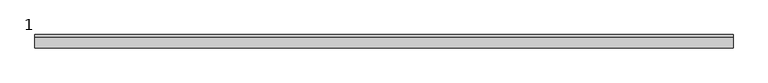
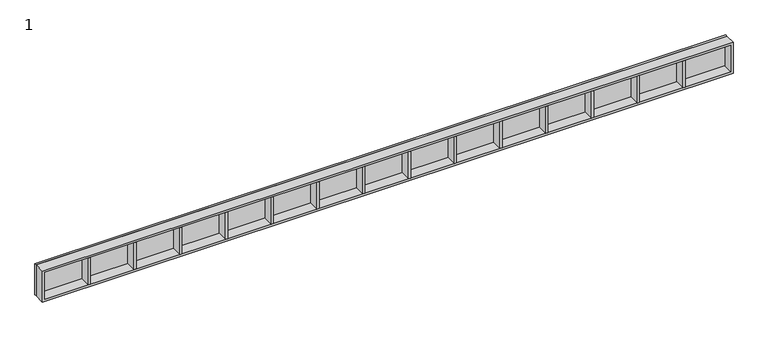
"""IFC4 building model written with IfcOpenShell, lengths in millimetres: proxy geometry, 1."""

from ifc_helpers import new_model, si_unit, frame, origin, place, context, project, spatial, polyline, outline, extrude, source, transform, mapped, element, save


def proxy_1_391dcd1e(model_context):
    return source(origin(), model_context, "Body", "SweptSolid", [
        extrude(outline(polyline([(2950.0, -60.0), (2940.0, -60.0), (2940.0, -10.0), (2950.0, -10.0), (2950.0, -60.0)])), frame((0.0, 0.0, 470.0), z_axis=(0.0, 0.0, 1.0), x_axis=(1.0, 0.0, 0.0)), (0.0, 0.0, 1.0), 130.0),
        extrude(outline(polyline([(2740.0, -60.0), (2730.0, -60.0), (2730.0, -10.0), (2740.0, -10.0), (2740.0, -60.0)])), frame((0.0, 0.0, 470.0), z_axis=(0.0, 0.0, 1.0), x_axis=(1.0, 0.0, 0.0)), (0.0, 0.0, 1.0), 130.0),
        extrude(outline(polyline([(2530.0, -60.0), (2520.0, -60.0), (2520.0, -10.0), (2530.0, -10.0), (2530.0, -60.0)])), frame((0.0, 0.0, 470.0), z_axis=(0.0, 0.0, 1.0), x_axis=(1.0, 0.0, 0.0)), (0.0, 0.0, 1.0), 130.0),
        extrude(outline(polyline([(2320.0, -60.0), (2310.0, -60.0), (2310.0, -10.0), (2320.0, -10.0), (2320.0, -60.0)])), frame((0.0, 0.0, 470.0), z_axis=(0.0, 0.0, 1.0), x_axis=(1.0, 0.0, 0.0)), (0.0, 0.0, 1.0), 130.0),
        extrude(outline(polyline([(2110.0, -60.0), (2100.0, -60.0), (2100.0, -10.0), (2110.0, -10.0), (2110.0, -60.0)])), frame((0.0, 0.0, 470.0), z_axis=(0.0, 0.0, 1.0), x_axis=(1.0, 0.0, 0.0)), (0.0, 0.0, 1.0), 130.0),
        extrude(outline(polyline([(1900.0, -60.0), (1890.0, -60.0), (1890.0, -10.0), (1900.0, -10.0), (1900.0, -60.0)])), frame((0.0, 0.0, 470.0), z_axis=(0.0, 0.0, 1.0), x_axis=(1.0, 0.0, 0.0)), (0.0, 0.0, 1.0), 130.0),
        extrude(outline(polyline([(1690.0, -60.0), (1680.0, -60.0), (1680.0, -10.0), (1690.0, -10.0), (1690.0, -60.0)])), frame((0.0, 0.0, 470.0), z_axis=(0.0, 0.0, 1.0), x_axis=(1.0, 0.0, 0.0)), (0.0, 0.0, 1.0), 130.0),
        extrude(outline(polyline([(1480.0, -60.0), (1470.0, -60.0), (1470.0, -10.0), (1480.0, -10.0), (1480.0, -60.0)])), frame((0.0, 0.0, 470.0), z_axis=(0.0, 0.0, 1.0), x_axis=(1.0, 0.0, 0.0)), (0.0, 0.0, 1.0), 130.0),
        extrude(outline(polyline([(3170.0, -10.0), (0.0, -10.0), (0.0, 0.0), (3170.0, 0.0), (3170.0, -10.0)])), frame((0.0, 0.0, 460.0), z_axis=(0.0, 0.0, 1.0), x_axis=(1.0, 0.0, 0.0)), (0.0, 0.0, 1.0), 150.0),
        extrude(outline(polyline([(1270.0, -60.0), (1260.0, -60.0), (1260.0, -10.0), (1270.0, -10.0), (1270.0, -60.0)])), frame((0.0, 0.0, 470.0), z_axis=(0.0, 0.0, 1.0), x_axis=(1.0, 0.0, 0.0)), (0.0, 0.0, 1.0), 130.0),
        extrude(outline(polyline([(1060.0, -60.0), (1050.0, -60.0), (1050.0, -10.0), (1060.0, -10.0), (1060.0, -60.0)])), frame((0.0, 0.0, 470.0), z_axis=(0.0, 0.0, 1.0), x_axis=(1.0, 0.0, 0.0)), (0.0, 0.0, 1.0), 130.0),
        extrude(outline(polyline([(850.0, -60.0), (840.0, -60.0), (840.0, -10.0), (850.0, -10.0), (850.0, -60.0)])), frame((0.0, 0.0, 470.0), z_axis=(0.0, 0.0, 1.0), x_axis=(1.0, 0.0, 0.0)), (0.0, 0.0, 1.0), 130.0),
        extrude(outline(polyline([(640.0, -60.0), (630.0, -60.0), (630.0, -10.0), (640.0, -10.0), (640.0, -60.0)])), frame((0.0, 0.0, 470.0), z_axis=(0.0, 0.0, 1.0), x_axis=(1.0, 0.0, 0.0)), (0.0, 0.0, 1.0), 130.0),
        extrude(outline(polyline([(430.0, -60.0), (420.0, -60.0), (420.0, -10.0), (430.0, -10.0), (430.0, -60.0)])), frame((0.0, 0.0, 470.0), z_axis=(0.0, 0.0, 1.0), x_axis=(1.0, 0.0, 0.0)), (0.0, 0.0, 1.0), 130.0),
        extrude(outline(polyline([(220.0, -60.0), (210.0, -60.0), (210.0, -10.0), (220.0, -10.0), (220.0, -60.0)])), frame((0.0, 0.0, 470.0), z_axis=(0.0, 0.0, 1.0), x_axis=(1.0, 0.0, 0.0)), (0.0, 0.0, 1.0), 130.0),
        extrude(outline(polyline([(610.0, 3170.0), (610.0, 0.0), (460.0, 0.0), (460.0, 3170.0), (610.0, 3170.0)]), holes=[polyline([(600.0, 3160.378195), (470.0, 3160.378195), (470.0, 10.0), (600.0, 10.0), (600.0, 3160.378195)])]), frame((0.0, -60.0, 0.0), z_axis=(0.0, 1.0, 0.0), x_axis=(0.0, 0.0, 1.0)), (0.0, 0.0, 1.0), 50.0),
    ])


if __name__ == "__main__":
    model = new_model("IFC4")
    model_context = context("Model", 3, world=origin())
    ifc_project = project(units=[si_unit("LENGTHUNIT", "METRE", prefix="MILLI")], contexts=[model_context])
    site = spatial("IfcSite", under=ifc_project)
    building = spatial("IfcBuilding", under=site)
    placement = place(None, origin())
    proxy_1_shape = proxy_1_391dcd1e(model_context)
    element("IfcBuildingElementProxy", 1, Name="1", ObjectType="1", at=placement, inside=building, context=model_context, shape_type="MappedRepresentation", body=[
        mapped(proxy_1_shape, transform((0.0, 0.0, 0.0), x_axis=(1.0, 0.0, 0.0), y_axis=(0.0, 1.0, 0.0), z_axis=(0.0, 0.0, 1.0))),
    ])
    save(model, "model.ifc")
